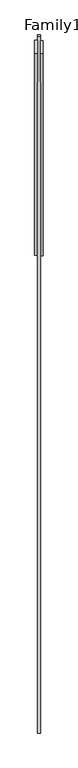
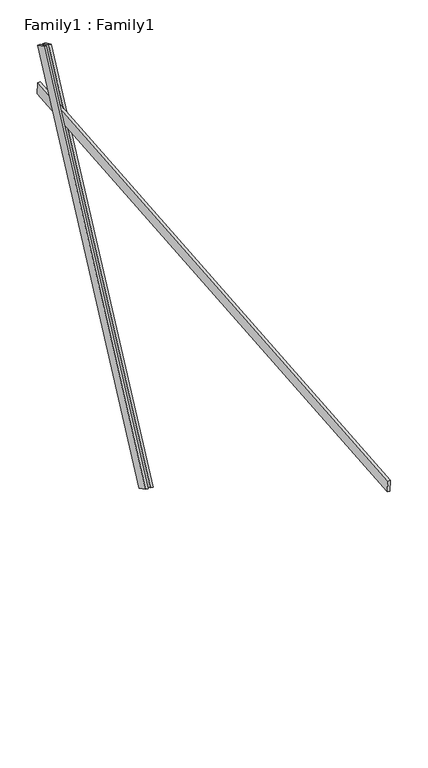
"""IFC4 building model written with IfcOpenShell, lengths in millimetres: proxy geometry, Family1 : Family1."""

from ifc_helpers import new_model, si_unit, frame, origin, place, context, project, spatial, polyline, outline, extrude, source, transform, mapped, element, save


def family1_family1_be2dc7ef(model_context):
    return source(origin(), model_context, "Body", "SweptSolid", [
        extrude(outline(polyline([(0.0, 0.0), (0.0, -20.0), (-100.0000001, -20.0), (-100.0000001, 0.0), (0.0, 0.0)])), frame((-30.0, 46.3241747, -22.5938096), z_axis=(0.0, 0.4383711467890692, 0.8987940462991711), x_axis=(0.0, 0.8987940462991711, -0.4383711467890692)), (0.0, 0.0, 1.0), 3300.0),
        extrude(outline(polyline([(0.0, 0.0), (0.0, -20.0), (-99.9999999, -20.0), (-99.9999999, 0.0), (0.0, 0.0)])), frame((10.0, 45.270232, -22.0797674), z_axis=(0.0, 0.4383711467890692, 0.8987940462991711), x_axis=(0.0, 0.8987940462991711, -0.4383711467890692)), (0.0, 0.0, 1.0), 3300.0),
        extrude(outline(polyline([(0.0, -20.0), (0.0, 0.0), (5000.0, 0.0), (5000.0, -20.0), (0.0, -20.0)])), frame((-10.0, -3448.5871491, 2057.3330409), z_axis=(0.0, -0.08715574274765553, 0.9961946980917459), x_axis=(0.0, 0.9961946980917459, 0.08715574274765553)), (0.0, 0.0, 1.0), 100.0),
    ])


if __name__ == "__main__":
    model = new_model("IFC4")
    model_context = context("Model", 3, world=origin())
    ifc_project = project(units=[si_unit("LENGTHUNIT", "METRE", prefix="MILLI")], contexts=[model_context])
    site = spatial("IfcSite", under=ifc_project)
    building = spatial("IfcBuilding", under=site)
    placement = place(None, origin())
    family1_family1_shape = family1_family1_be2dc7ef(model_context)
    element("IfcBuildingElementProxy", 1, Name="Family1 : Family1", ObjectType="Family1 : Family1", at=placement, inside=building, context=model_context, shape_type="MappedRepresentation", body=[
        mapped(family1_family1_shape, transform((0.0, 0.0, 0.0), x_axis=(1.0, 0.0, 0.0), y_axis=(0.0, 1.0, 0.0), z_axis=(0.0, 0.0, 1.0))),
    ])
    save(model, "model.ifc")
